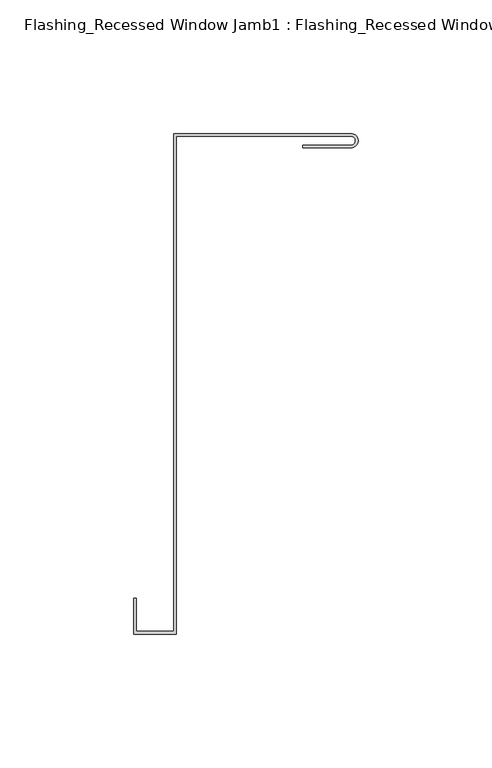
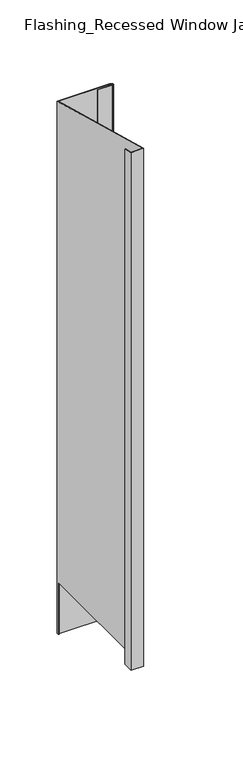
"""IFC4 building model written with IfcOpenShell, lengths in millimetres: proxy geometry, Flashing_Recessed Window Jamb1 : Flashing_Recessed Window Jamb."""

from ifc_helpers import new_model, si_unit, frame, origin, place, context, project, spatial, polyline, circle_curve, ellipse_curve, source, transform, mapped, element, save
from ifc_brep_helpers import plane_surface, cylinder_surface, revolved_surface, advanced_brep


def flashing_recessed_window_jamb1_flashing_recessed_window_jamb_a8cb004d(model_context):
    return source(origin(), model_context, "Body", "AdvancedBrep", [
        advanced_brep(
        [(13692.8541786, 657.7344915, -1055.1751138), (13627.4791786, 657.7344915, -1055.1751138), (13627.4791786, 656.8026399, -1055.1751138), (13626.4791786, 656.8026399, -1055.1751138), (13626.4791786, 658.7344915, -1055.1751138), (13692.8541786, 658.7344915, -1055.1751138), (13692.8541786, 653.3927596, -1055.1751138), (13692.6107823, 653.3927596, -1055.1751138), (13692.6107823, 654.3927596, -1055.1751138), (13692.8541786, 654.3927596, -1055.1751138), (13626.4791786, 658.7344915, -343.2151173), (13692.8541786, 658.7344915, -343.2151173), (13626.4791786, 656.8026399, -985.662203), (13626.4791786, 472.3615096, -985.662203), (13626.4791786, 472.3615096, -293.2766273), (13612.4791786, 472.3615096, -293.2766273), (13612.4791786, 472.3615096, -985.662203), (13612.4791786, 484.6872381, -296.5792963), (13612.4791786, 484.6872381, -985.662203), (13611.4791786, 484.6872381, -296.5792963), (13611.4791786, 484.6872381, -985.662203), (13611.4791786, 471.3615096, -293.0086781), (13611.4791786, 471.3615096, -985.662203), (13627.4791786, 471.3615096, -293.0086781), (13627.4791786, 471.3615096, -985.662203), (13627.4791786, 657.7344915, -342.9471681), (13627.4791786, 656.8026399, -985.662203), (13692.8541786, 657.7344915, -342.9471681), (13692.8541786, 653.3927596, -341.7838046), (13674.8224725, 653.3927596, -341.7838046), (13674.8224725, 653.3927596, -985.662203), (13692.6107823, 653.3927596, -985.662203), (13674.8224725, 654.3927596, -342.0517537), (13674.8224725, 654.3927596, -985.662203), (13692.8541786, 654.3927596, -342.0517537), (13692.6107823, 654.3927596, -985.662203)],
        [
            (0, 1),
            (1, 2),
            (2, 3),
            (3, 4),
            (4, 5),
            (5, 6, circle_curve(frame((13692.8541786, 656.0636256, -1055.1751138), z_axis=(0.0, 0.0, -1.0), x_axis=(1.0, 0.0, 0.0)), 2.670866)),
            (6, 7),
            (7, 8),
            (8, 9),
            (9, 0, circle_curve(frame((13692.8541786, 656.0636256, -1055.1751138), z_axis=(0.0, 0.0, 1.0), x_axis=(1.0, 0.0, 0.0)), 1.670866)),
            (4, 10),
            (10, 11),
            (11, 5),
            (3, 12),
            (12, 13),
            (13, 14),
            (14, 10),
            (15, 14),
            (13, 16),
            (16, 15),
            (17, 15),
            (16, 18),
            (18, 17),
            (19, 17),
            (18, 20),
            (20, 19),
            (21, 19),
            (20, 22),
            (22, 21),
            (23, 21),
            (22, 24),
            (24, 23),
            (1, 25),
            (25, 23),
            (24, 26),
            (26, 2),
            (0, 27),
            (27, 25),
            (6, 28),
            (28, 29),
            (29, 30),
            (30, 31),
            (31, 7),
            (29, 32),
            (32, 33),
            (33, 30),
            (34, 9),
            (8, 35),
            (35, 33),
            (32, 34),
            (34, 27, ellipse_curve(frame((13692.8541786, 656.0636256, -342.4994609), z_axis=(0.0, 0.2588190451025206, 0.9659258262890683), x_axis=(0.0, 0.9659258262890683, -0.25881904510252063)), 1.7298077, 1.670866)),
            (11, 28, ellipse_curve(frame((13692.8541786, 656.0636256, -342.4994609), z_axis=(0.0, -0.2588190451025206, -0.9659258262890683), x_axis=(0.0, -0.9659258262890683, 0.25881904510252063)), 2.7650839, 2.670866)),
            (12, 26),
            (35, 31),
        ],
        [
            plane_surface(frame((13611.4791786, 472.3615096, -1055.1751138), z_axis=(0.0, 0.0, -1.0), x_axis=(1.0, 0.0, 0.0))),
            plane_surface(frame((13692.8541786, 658.7344915, -277.6721404), z_axis=(0.0, 1.0, 0.0), x_axis=(0.0, 0.0, -1.0))),
            plane_surface(frame((13626.4791786, 658.7344915, -277.6721404), z_axis=(-1.0, 0.0, 0.0), x_axis=(0.0, 0.0, -1.0))),
            plane_surface(frame((13626.4791786, 472.3615096, -277.6721404), z_axis=(0.0, 1.0, 0.0), x_axis=(0.0, 0.0, -1.0))),
            plane_surface(frame((13612.4791786, 472.3615096, -277.6721404), z_axis=(1.0, 0.0, 0.0), x_axis=(0.0, 0.0, -1.0))),
            plane_surface(frame((13612.4791786, 484.6872381, -277.6721404), z_axis=(0.0, 1.0, 0.0), x_axis=(0.0, 0.0, -1.0))),
            plane_surface(frame((13611.4791786, 484.6872381, -277.6721404), z_axis=(-1.0, 0.0, 0.0), x_axis=(0.0, 0.0, -1.0))),
            plane_surface(frame((13611.4791786, 471.3615096, -277.6721404), z_axis=(0.0, -1.0, 0.0), x_axis=(0.0, 0.0, -1.0))),
            plane_surface(frame((13627.4791786, 471.3615096, -277.6721404), z_axis=(1.0, 0.0, 0.0), x_axis=(0.0, 0.0, -1.0))),
            plane_surface(frame((13627.4791786, 657.7344915, -277.6721404), z_axis=(0.0, -1.0, 0.0), x_axis=(0.0, 0.0, -1.0))),
            plane_surface(frame((13674.8224725, 653.3927596, -277.6721404), z_axis=(0.0, -1.0, 0.0), x_axis=(0.0, 0.0, -1.0))),
            plane_surface(frame((13674.8224725, 654.3927596, -277.6721404), z_axis=(-1.0, 0.0, 0.0), x_axis=(0.0, 0.0, -1.0))),
            plane_surface(frame((13692.8541786, 654.3927596, -277.6721404), z_axis=(0.0, 1.0, 0.0), x_axis=(0.0, 0.0, -1.0))),
            revolved_surface(polyline([(13694.525044600001, 656.0636256, -1055.1751138), (13694.525044600001, 656.0636256, -342.05175370000006)]), (13692.8541786, 656.0636256, -1055.1751138), (0.0, 0.0, -1.0)),
            cylinder_surface(frame((13692.8541786, 656.0636256, -1055.1751138), z_axis=(0.0, 0.0, 1.0), x_axis=(1.0, 0.0, 0.0)), 2.670866),
            plane_surface(frame((13516.4791786, 682.2658889, -349.5203362), z_axis=(0.0, 0.2588190451025206, 0.9659258262890683), x_axis=(1.0, 0.0, 0.0))),
            plane_surface(frame((13692.6107823, 456.8026399, -985.662203), z_axis=(0.0, 0.0, -1.0), x_axis=(0.0, 1.0, 0.0))),
            plane_surface(frame((13692.6107823, 456.8026399, -985.662203), z_axis=(-1.0, 0.0, 0.0), x_axis=(0.0, 0.0, -1.0))),
            plane_surface(frame((13692.6107823, 656.8026399, -985.662203), z_axis=(0.0, -1.0, 0.0), x_axis=(0.0, 0.0, -1.0))),
        ],
        [
            (0, [[1, 2, 3, 4, 5, 6, 7, 8, 9, 10]]),
            (1, [[-5, 11, 12, 13]]),
            (2, [[-11, -4, 14, 15, 16, 17]]),
            (3, [[18, -16, 19, 20]]),
            (4, [[21, -20, 22, 23]]),
            (5, [[24, -23, 25, 26]]),
            (6, [[27, -26, 28, 29]]),
            (7, [[30, -29, 31, 32]]),
            (8, [[33, 34, -32, 35, 36, -2]]),
            (9, [[-1, 37, 38, -33]]),
            (10, [[39, 40, 41, 42, 43, -7]]),
            (11, [[44, 45, 46, -41]]),
            (12, [[47, -9, 48, 49, -45, 50]]),
            (13, [[-10, -47, 51, -37]]),
            (14, [[-6, -13, 52, -39]]),
            (15, [[-12, -17, -18, -21, -24, -27, -30, -34, -38, -51, -50, -44, -40, -52]]),
            (16, [[53, -35, -31, -28, -25, -22, -19, -15]]),
            (16, [[54, -42, -46, -49]]),
            (17, [[-54, -48, -8, -43]]),
            (18, [[-53, -14, -3, -36]]),
        ],
    ),
    ])


if __name__ == "__main__":
    model = new_model("IFC4")
    model_context = context("Model", 3, world=origin())
    ifc_project = project(units=[si_unit("LENGTHUNIT", "METRE", prefix="MILLI")], contexts=[model_context])
    site = spatial("IfcSite", under=ifc_project)
    building = spatial("IfcBuilding", under=site)
    placement = place(None, origin())
    flashing_recessed_window_jamb1_flashing_recessed_window_jamb_shape = flashing_recessed_window_jamb1_flashing_recessed_window_jamb_a8cb004d(model_context)
    element("IfcBuildingElementProxy", 1, Name="Flashing_Recessed Window Jamb1 : Flashing_Recessed Window Jamb", ObjectType="Flashing_Recessed Window Jamb1 : Flashing_Recessed Window Jamb", at=placement, inside=building, context=model_context, shape_type="MappedRepresentation", body=[
        mapped(flashing_recessed_window_jamb1_flashing_recessed_window_jamb_shape, transform((0.0, 0.0, 0.0), x_axis=(1.0, 0.0, 0.0), y_axis=(0.0, 1.0, 0.0), z_axis=(0.0, 0.0, 1.0))),
    ])
    save(model, "model.ifc")
